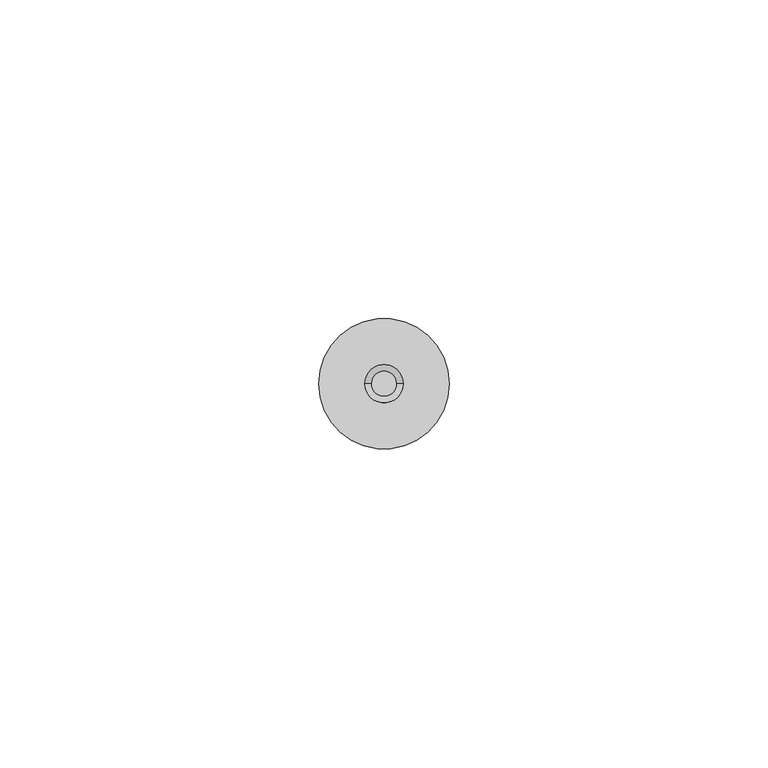
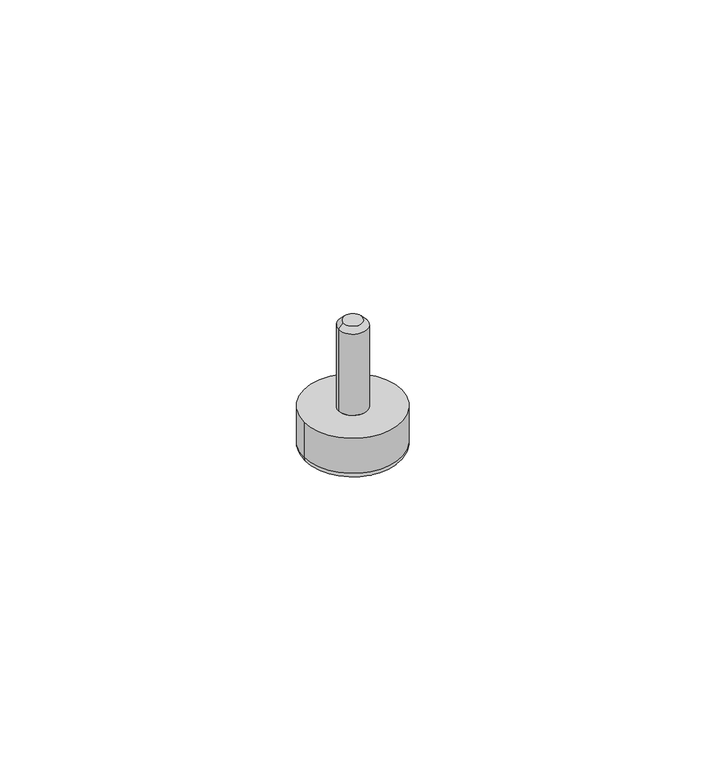
"""IFC4 building model written with IfcOpenShell, lengths in millimetres: proxy geometry."""

from ifc_helpers import new_model, si_unit, point, frame, origin, place, context, project, spatial, polyline, circle_curve, ellipse_curve, trimmed, source, transform, mapped, element, save
from ifc_brep_helpers import plane_surface, cylinder_surface, revolved_surface, advanced_brep


def generic_models_99dd2b99(model_context):
    return source(origin(), model_context, "Body", "AdvancedBrep", [
        advanced_brep(
        [(-10.25, 0.0, 1.5), (-10.25, 0.0, 9.25), (10.25, 0.0, 9.25), (10.25, 0.0, 1.5), (-3.0, 0.0, 9.25), (-3.0, 0.0, 27.25), (3.0, 0.0, 27.25), (3.0, 0.0, 9.25), (-2.0, 0.0, 28.25), (2.0, 0.0, 28.25), (0.0, 0.0, 1.5), (8.2503965, 0.0, 0.0856463), (-8.2503965, 0.0, 0.0856463)],
        [
            (0, 1),
            (1, 2, circle_curve(frame((0.0, 0.0, 9.25), z_axis=(0.0, 0.0, -1.0), x_axis=(-1.0, 0.0, 0.0)), 10.25)),
            (2, 3),
            (3, 0, circle_curve(frame((0.0, 0.0, 1.5), z_axis=(0.0, 0.0, 1.0), x_axis=(-1.0, 0.0, 0.0)), 10.25)),
            (4, 5),
            (5, 6, circle_curve(frame((0.0, 0.0, 27.25), z_axis=(0.0, 0.0, -1.0), x_axis=(-1.0, 0.0, 0.0)), 3.0)),
            (6, 7),
            (7, 4, circle_curve(frame((0.0, 0.0, 9.25), z_axis=(0.0, 0.0, 1.0), x_axis=(-1.0, 0.0, 0.0)), 3.0)),
            (8, 5),
            (5, 6, circle_curve(frame((0.0, 0.0, 27.25), z_axis=(0.0, 0.0, 1.0), x_axis=(1.0, 0.0, 0.0)), 3.0)),
            (6, 9),
            (9, 8, circle_curve(frame((0.0, 0.0, 28.25), z_axis=(0.0, 0.0, -1.0), x_axis=(1.0, 0.0, 0.0)), 2.0)),
            (10, 11, circle_curve(frame((0.0, 0.0, -23.2708333), z_axis=(0.0, 1.0, 0.0), x_axis=(1.0, 0.0, 0.0)), 24.7708333)),
            (11, 12, circle_curve(frame((0.0, 0.0, 0.0856463), z_axis=(0.0, 0.0, -1.0), x_axis=(1.0, 0.0, 0.0)), 8.2503965)),
            (12, 10, circle_curve(frame((0.0, 0.0, -23.2708333), z_axis=(0.0, 1.0, 0.0), x_axis=(-1.0, 0.0, 0.0)), 24.7708333)),
            (12, 0, circle_curve(frame((-8.75, 0.0, 1.5), z_axis=(0.0, 1.0, 0.0), x_axis=(-1.0, 0.0, 0.0)), 1.5)),
            (3, 11, circle_curve(frame((8.75, 0.0, 1.5), z_axis=(0.0, 1.0, 0.0), x_axis=(1.0, 0.0, 0.0)), 1.5)),
            (11, 12, circle_curve(frame((0.0, 0.0, 0.0856463), z_axis=(0.0, 0.0, 1.0), x_axis=(-1.0, 0.0, 0.0)), 8.2503965)),
            (3, 0, circle_curve(frame((0.0, 0.0, 1.5), z_axis=(0.0, 0.0, -1.0), x_axis=(1.0, 0.0, 0.0)), 10.25)),
            (8, 9, circle_curve(frame((0.0, 0.0, 28.25), z_axis=(0.0, 0.0, -1.0), x_axis=(-1.0, 0.0, 0.0)), 2.0)),
            (4, 7, circle_curve(frame((0.0, 0.0, 9.25), z_axis=(0.0, 0.0, 1.0), x_axis=(-1.0, 0.0, 0.0)), 3.0)),
            (2, 1, circle_curve(frame((0.0, 0.0, 9.25), z_axis=(0.0, 0.0, -1.0), x_axis=(-1.0, 0.0, 0.0)), 10.25)),
        ],
        [
            cylinder_surface(frame((0.0, 0.0, 0.0), z_axis=(0.0, 0.0, 1.0), x_axis=(-1.0, 0.0, 0.0)), 10.25),
            cylinder_surface(frame((0.0, 0.0, 9.25), z_axis=(0.0, 0.0, 1.0), x_axis=(-1.0, 0.0, 0.0)), 3.0),
            revolved_surface(polyline([(-2.0, 0.0, 28.25), (-3.0, 0.0, 27.25)]), (0.0, 0.0, 30.25), (0.0, 0.0, -1.0)),
            revolved_surface(trimmed(ellipse_curve(frame((0.0, 0.0, -23.2708333), z_axis=(0.0, -1.0, 0.0), x_axis=(1.0, 0.0, 0.0)), 24.7708333, 24.7708333), [point((8.2503965, 0.0, 0.0856463))], [point((0.0, 0.0, 1.5))], True, "CARTESIAN"), (0.0, 0.0, -23.2708333), (0.0, 0.0, -1.0)),
            revolved_surface(trimmed(ellipse_curve(frame((-8.75, 0.0, 1.5), z_axis=(0.0, -1.0, 0.0), x_axis=(-1.0, 0.0, 0.0)), 1.5, 1.5), [point((-10.25, 0.0, 1.5))], [point((-8.2503965, 0.0, 0.0856463))], True, "CARTESIAN"), (0.0, 0.0, 1.5), (0.0, 0.0, -1.0)),
            revolved_surface(trimmed(ellipse_curve(frame((8.75, 0.0, 1.5), z_axis=(0.0, 1.0, 0.0), x_axis=(1.0, 0.0, 0.0)), 1.5, 1.5), [point((10.25, 0.0, 1.5))], [point((8.2503965, 0.0, 0.0856463))], True, "CARTESIAN"), (0.0, 0.0, 1.5), (0.0, 0.0, -1.0)),
            plane_surface(frame((0.0, 0.0, 28.25), z_axis=(0.0, 0.0, 1.0), x_axis=(-1.0, 0.0, 0.0))),
            plane_surface(frame((0.0, 0.0, 9.25), z_axis=(0.0, 0.0, 1.0), x_axis=(-1.0, 0.0, 0.0))),
        ],
        [
            (0, [[1, 2, 3, 4]]),
            (1, [[5, 6, 7, 8]]),
            (2, [[9, 10, 11, 12]]),
            (3, [[13, 14, 15]]),
            (4, [[16, -4, 17, 18]]),
            (5, [[-16, -14, -17, 19]]),
            (3, [[-13, -15, -18]]),
            (2, [[-9, 20, -11, -6]]),
            (1, [[-5, 21, -7, -10]]),
            (6, [[-12, -20]]),
            (0, [[-1, -19, -3, 22]]),
            (7, [[-22, -2], [-21, -8]]),
        ],
    ),
    ])


if __name__ == "__main__":
    model = new_model("IFC4")
    model_context = context("Model", 3, world=origin())
    ifc_project = project(units=[si_unit("LENGTHUNIT", "METRE", prefix="MILLI")], contexts=[model_context])
    site = spatial("IfcSite", under=ifc_project)
    building = spatial("IfcBuilding", under=site)
    placement = place(None, origin())
    generic_models_shape = generic_models_99dd2b99(model_context)
    element("IfcBuildingElementProxy", 1, Name="Generic Models", at=placement, inside=building, context=model_context, shape_type="MappedRepresentation", body=[
        mapped(generic_models_shape, transform((0.0, 0.0, 0.0), x_axis=(1.0, 0.0, 0.0), y_axis=(0.0, 1.0, 0.0), z_axis=(0.0, 0.0, 1.0))),
    ])
    save(model, "model.ifc")
